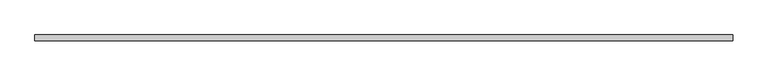
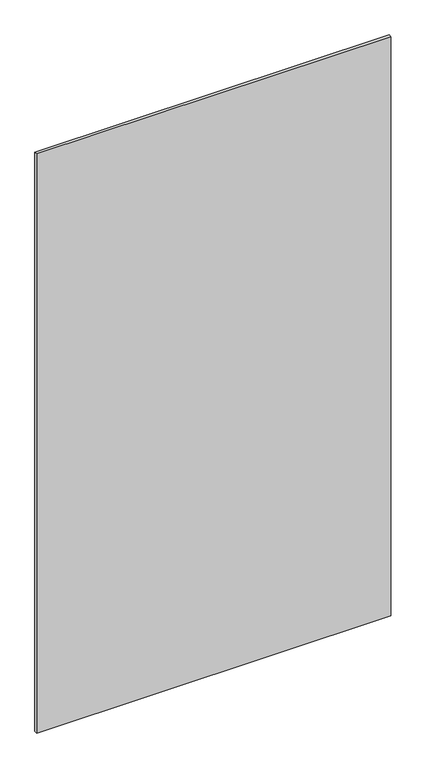
"""IFC4 building model written with IfcOpenShell, lengths in millimetres: plate geometry."""

from ifc_helpers import new_model, si_unit, origin, origin_with_axes, place, context, project, spatial, polyline, outline, extrude, source, transform, mapped, element, save


def plate_a7d89ce9(model_context):
    return source(origin(), model_context, "Body", "SweptSolid", [
        extrude(outline(polyline([(636.9, 5.2), (636.9, -5.2), (-636.9, -5.2), (-636.9, 5.2), (636.9, 5.2)])), origin_with_axes(), (0.0, 0.0, 1.0), 2200.7),
    ])


if __name__ == "__main__":
    model = new_model("IFC4")
    model_context = context("Model", 3, world=origin())
    ifc_project = project(units=[si_unit("LENGTHUNIT", "METRE", prefix="MILLI")], contexts=[model_context])
    site = spatial("IfcSite", under=ifc_project)
    building = spatial("IfcBuilding", under=site)
    placement = place(None, origin())
    plate_shape = plate_a7d89ce9(model_context)
    element("IfcPlate", 1, at=placement, inside=building, context=model_context, shape_type="MappedRepresentation", body=[
        mapped(plate_shape, transform((0.0, 0.0, 0.0), x_axis=(1.0, 0.0, 0.0), y_axis=(0.0, 1.0, 0.0), z_axis=(0.0, 0.0, 1.0))),
    ])
    save(model, "model.ifc")
